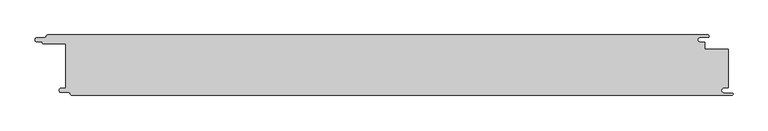
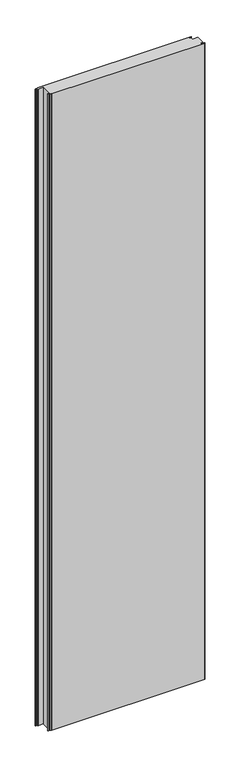
"""IFC4 building model written with IfcOpenShell, lengths in millimetres: proxy geometry."""

from ifc_helpers import new_model, si_unit, point, frame_2d, origin, origin_with_axes, place, context, project, spatial, polyline, circle_curve, trimmed, segment, composite_curve, outline, extrude, source, transform, mapped, element, save


def generic_models_b4a0e852(model_context):
    return source(origin(), model_context, "Body", "SweptSolid", [
        extrude(outline(composite_curve([segment(polyline([(-565.5, -38.4816509), (-557.5, -38.4816509), (-557.5, 35.03), (-594.9169737, 35.03)]), True, "CONTINUOUS"), segment(trimmed(circle_curve(frame_2d((-594.4430286, 37.2219283)), 2.2425819), [point((-594.9169737, 35.03))], [point((-596.6803567, 37.3753446))], False, "CARTESIAN"), True, "CONTINUOUS"), segment(trimmed(circle_curve(frame_2d((-597.7350122, 37.3753446)), 1.0546554), [point((-596.6803567, 37.3753446))], [point((-597.7350122, 38.43))], True, "CARTESIAN"), True, "CONTINUOUS"), segment(polyline([(-597.7350122, 38.43), (-605.5, 38.43)]), True, "CONTINUOUS"), segment(trimmed(circle_curve(frame_2d((-605.5, 41.965)), 3.535), [point((-605.5, 38.43))], [point((-605.5, 45.5))], False, "CARTESIAN"), True, "CONTINUOUS"), segment(polyline([(-605.5, 45.5), (-593.0, 45.5)]), True, "CONTINUOUS"), segment(trimmed(circle_curve(frame_2d((-593.0, 48.43)), 2.93), [point((-593.0, 45.5))], [point((-590.07, 48.43))], True, "CARTESIAN"), True, "CONTINUOUS"), segment(trimmed(circle_curve(frame_2d((-587.4645959, 47.0573077)), 2.9448964), [point((-590.07, 48.43))], [point((-587.5785115, 50.0))], False, "CARTESIAN"), True, "CONTINUOUS"), segment(polyline([(-587.5785115, 50.0), (507.417592, 50.0)]), True, "CONTINUOUS"), segment(trimmed(circle_curve(frame_2d((507.417592, 47.965)), 2.035), [point((507.417592, 50.0))], [point((507.417592, 45.93))], False, "CARTESIAN"), True, "CONTINUOUS"), segment(polyline([(507.417592, 45.93), (494.5, 45.93)]), True, "CONTINUOUS"), segment(trimmed(circle_curve(frame_2d((494.5, 42.0)), 3.93), [point((494.5, 45.93))], [point((494.5, 38.07))], True, "CARTESIAN"), True, "CONTINUOUS"), segment(polyline([(494.5, 38.07), (502.5, 38.07), (502.5, 26.0), (541.5, 26.0), (541.5, -37.4816509), (534.5, -37.4816509)]), True, "CONTINUOUS"), segment(trimmed(circle_curve(frame_2d((534.5, -41.9816509)), 4.5), [point((534.5, -37.4816509))], [point((534.5, -46.4816509))], True, "CARTESIAN"), True, "CONTINUOUS"), segment(polyline([(534.5, -46.4816509), (547.5802646, -46.4816509)]), True, "CONTINUOUS"), segment(trimmed(circle_curve(frame_2d((547.5802646, -48.2408255)), 1.7591745), [point((547.5802646, -46.4816509))], [point((547.5802646, -50.0))], False, "CARTESIAN"), True, "CONTINUOUS"), segment(polyline([(547.5802646, -50.0), (-547.9710411, -50.0)]), True, "CONTINUOUS"), segment(trimmed(circle_curve(frame_2d((-547.9710411, -47.8890983)), 2.1109017), [point((-547.9710411, -50.0))], [point((-549.9970408, -48.4817459))], False, "CARTESIAN"), True, "CONTINUOUS"), segment(trimmed(circle_curve(frame_2d((-552.9983877, -48.4817459)), 3.0013468), [point((-549.9970408, -48.4817459))], [point((-552.9983877, -45.480399))], True, "CARTESIAN"), True, "CONTINUOUS"), segment(polyline([(-552.9983877, -45.480399), (-565.5, -45.480399)]), True, "CONTINUOUS"), segment(trimmed(circle_curve(frame_2d((-565.5, -41.981025)), 3.4993741), [point((-565.5, -45.480399))], [point((-565.5, -38.4816509))], False, "CARTESIAN"), True, "CONTINUOUS")], self_intersect=False)), origin_with_axes(), (0.0, 0.0, 1.0), 4800.0),
    ])


if __name__ == "__main__":
    model = new_model("IFC4")
    model_context = context("Model", 3, world=origin())
    ifc_project = project(units=[si_unit("LENGTHUNIT", "METRE", prefix="MILLI")], contexts=[model_context])
    site = spatial("IfcSite", under=ifc_project)
    building = spatial("IfcBuilding", under=site)
    placement = place(None, origin())
    generic_models_shape = generic_models_b4a0e852(model_context)
    element("IfcBuildingElementProxy", 1, Name="Generic Models", at=placement, inside=building, context=model_context, shape_type="MappedRepresentation", body=[
        mapped(generic_models_shape, transform((0.0, 0.0, 0.0), x_axis=(1.0, 0.0, 0.0), y_axis=(0.0, 1.0, 0.0), z_axis=(0.0, 0.0, 1.0))),
    ])
    save(model, "model.ifc")
